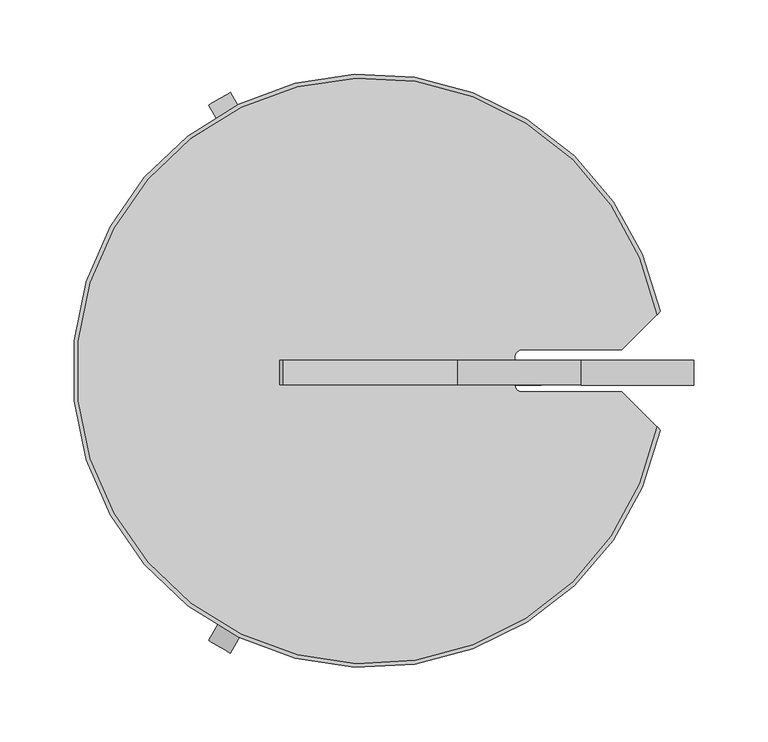
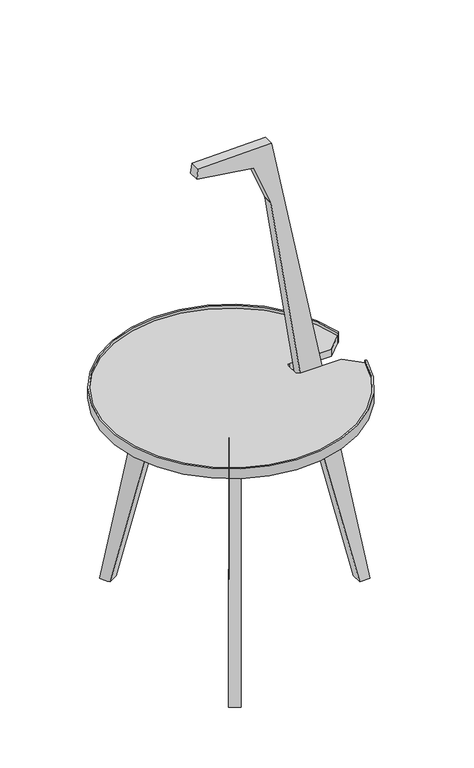
"""IFC4 building model written with IfcOpenShell, lengths in millimetres: furniture geometry."""

from ifc_helpers import new_model, si_unit, point, frame, frame_2d, origin, place, context, project, spatial, polyline, circle_curve, trimmed, segment, composite_curve, outline, extrude, source, transform, mapped, element, save
from ifc_brep_helpers import plane_surface, spline_surface, advanced_brep


def furniture_8a22b242(model_context):
    return source(origin(), model_context, "Body", "SolidModel", [
        extrude(outline(polyline([(-328.0538335, -53.7748023), (-328.0538342, -70.7432629), (-342.7489533, -62.2590328), (-328.0538335, -53.7748023)])), frame((0.0, 0.0, 345.200005), z_axis=(0.0, 0.0, 1.0), x_axis=(1.0, 0.0, 0.0)), (0.0, 0.0, 1.0), 34.6336225),
        advanced_brep(
        [(-376.5952232, -154.3382342, 379.8335741), (-328.2388857, -70.6364234, 379.8335741), (-342.8113276, -62.223021, 379.8335741), (-391.1443568, -145.9382908, 379.8335741), (-380.7583449, -161.5492214, 345.200005), (-395.1343712, -153.2492163, 345.200005), (-342.6381261, -62.32302, 345.200005), (-328.2620772, -70.6230329, 345.200005)],
        [
            (0, 1),
            (1, 2),
            (2, 3),
            (3, 0),
            (4, 5),
            (5, 6),
            (6, 7),
            (7, 4),
            (0, 4),
            (7, 1),
            (6, 2),
            (5, 3),
        ],
        [
            plane_surface(frame((-359.6974483, -108.2839923, 379.8335741), z_axis=(0.0, 0.0, 1.0000000000000002), x_axis=(0.8660254771258283, -0.49999987296896553, 0.0))),
            plane_surface(frame((-361.6982298, -111.9361226, 345.200005), z_axis=(0.0, 0.0, -1.0000000000000002), x_axis=(0.8660254771258283, -0.49999987296896553, 0.0))),
            spline_surface(1, 1, [[(-380.7583449, -161.5492214, 345.200005), (-376.5952232, -154.3382342, 379.8335741)], [(-328.2620772, -70.6230329, 345.200005), (-328.2388857, -70.6364234, 379.8335741)]], [2, 2], [2, 2], [0.0, 1.0], [0.0, 1.0]),
            spline_surface(1, 1, [[(-328.2620772, -70.6230329, 345.200005), (-328.2388857, -70.6364234, 379.8335741)], [(-342.6381261, -62.32302, 345.200005), (-342.8113276, -62.223021, 379.8335741)]], [2, 2], [2, 2], [0.0, 1.0], [0.0, 1.0]),
            spline_surface(1, 1, [[(-342.6381261, -62.32302, 345.200005), (-342.8113276, -62.223021, 379.8335741)], [(-395.1343712, -153.2492163, 345.200005), (-391.1443568, -145.9382908, 379.8335741)]], [2, 2], [2, 2], [0.0, 1.0], [0.0, 1.0]),
            spline_surface(1, 1, [[(-395.1343712, -153.2492163, 345.200005), (-391.1443568, -145.9382908, 379.8335741)], [(-380.7583449, -161.5492214, 345.200005), (-376.5952232, -154.3382342, 379.8335741)]], [2, 2], [2, 2], [0.0, 1.0], [0.0, 1.0]),
        ],
        [
            (0, [[1, 2, 3, 4]]),
            (1, [[5, 6, 7, 8]]),
            (2, [[-1, 9, -8, 10]]),
            (3, [[-2, -10, -7, 11]]),
            (4, [[-3, -11, -6, 12]]),
            (5, [[-4, -12, -5, -9]]),
        ],
    ),
        advanced_brep(
        [(-231.387771, -70.6948327, 379.8335741), (-231.3877686, -53.8949417, 379.8335741), (-328.0538335, -53.8949378, 379.8335741), (-328.0538342, -70.7217439, 379.8335741), (-223.0613121, -70.6949571, 345.200005), (-328.053835, -70.6949643, 345.200005), (-328.0538326, -54.0949343, 345.200005), (-223.0613142, -54.0949505, 345.200005)],
        [
            (0, 1),
            (1, 2),
            (2, 3),
            (3, 0),
            (4, 5),
            (5, 6),
            (6, 7),
            (7, 4),
            (3, 5),
            (4, 0),
            (2, 6),
            (1, 7),
        ],
        [
            plane_surface(frame((-279.7208018, -62.301614, 379.8335741), z_axis=(0.0, 0.0, 1.0000000000000002), x_axis=(-0.9999999999999993, 3.9760876563432745e-08, 0.0))),
            plane_surface(frame((-275.5575735, -62.3949516, 345.200005), z_axis=(0.0, 0.0, -1.0000000000000002), x_axis=(-0.9999999999999993, 3.9760876563432745e-08, 0.0))),
            spline_surface(1, 1, [[(-328.053835, -70.6949643, 345.200005), (-328.0538342, -70.7217439, 379.8335741)], [(-223.0613121, -70.6949571, 345.200005), (-231.387771, -70.6948327, 379.8335741)]], [2, 2], [2, 2], [0.0, 1.0], [0.0, 1.0]),
            spline_surface(1, 1, [[(-328.0538326, -54.0949343, 345.200005), (-328.0538335, -53.8949378, 379.8335741)], [(-328.053835, -70.6949643, 345.200005), (-328.0538342, -70.7217439, 379.8335741)]], [2, 2], [2, 2], [0.0, 1.0], [0.0, 1.0]),
            spline_surface(1, 1, [[(-223.0613142, -54.0949505, 345.200005), (-231.3877686, -53.8949417, 379.8335741)], [(-328.0538326, -54.0949343, 345.200005), (-328.0538335, -53.8949378, 379.8335741)]], [2, 2], [2, 2], [0.0, 1.0], [0.0, 1.0]),
            spline_surface(1, 1, [[(-223.0613121, -70.6949571, 345.200005), (-231.387771, -70.6948327, 379.8335741)], [(-223.0613142, -54.0949505, 345.200005), (-231.3877686, -53.8949417, 379.8335741)]], [2, 2], [2, 2], [0.0, 1.0], [0.0, 1.0]),
        ],
        [
            (0, [[1, 2, 3, 4]]),
            (1, [[5, 6, 7, 8]]),
            (2, [[-4, 9, -5, 10]]),
            (3, [[-3, 11, -6, -9]]),
            (4, [[-2, 12, -7, -11]]),
            (5, [[-1, -10, -8, -12]]),
        ],
    ),
        advanced_brep(
        [(-376.5952232, 29.8201686, 379.8335741), (-391.1443568, 21.4202252, 379.8335741), (-342.8113276, -62.2950446, 379.8335741), (-328.2388857, -53.8816422, 379.8335741), (-380.7583449, 37.0311557, 345.200005), (-328.2620772, -53.8950327, 345.200005), (-342.6381261, -62.1950456, 345.200005), (-395.1343712, 28.7311506, 345.200005)],
        [
            (0, 1),
            (1, 2),
            (2, 3),
            (3, 0),
            (4, 5),
            (5, 6),
            (6, 7),
            (7, 4),
            (3, 5),
            (4, 0),
            (2, 6),
            (1, 7),
        ],
        [
            plane_surface(frame((-359.6974483, -16.2340733, 379.8335741), z_axis=(0.0, 0.0, 1.0000000000000002), x_axis=(0.49999996556606585, -0.866025423664879, 0.0))),
            plane_surface(frame((-361.6982298, -12.581943, 345.200005), z_axis=(0.0, 0.0, -1.0000000000000002), x_axis=(0.49999996556606585, -0.866025423664879, 0.0))),
            spline_surface(1, 1, [[(-328.2620772, -53.8950327, 345.200005), (-328.2388857, -53.8816422, 379.8335741)], [(-380.7583449, 37.0311557, 345.200005), (-376.5952232, 29.8201686, 379.8335741)]], [2, 2], [2, 2], [0.0, 1.0], [0.0, 1.0]),
            spline_surface(1, 1, [[(-342.6381261, -62.1950456, 345.200005), (-342.8113276, -62.2950446, 379.8335741)], [(-328.2620772, -53.8950327, 345.200005), (-328.2388857, -53.8816422, 379.8335741)]], [2, 2], [2, 2], [0.0, 1.0], [0.0, 1.0]),
            spline_surface(1, 1, [[(-395.1343712, 28.7311506, 345.200005), (-391.1443568, 21.4202252, 379.8335741)], [(-342.6381261, -62.1950456, 345.200005), (-342.8113276, -62.2950446, 379.8335741)]], [2, 2], [2, 2], [0.0, 1.0], [0.0, 1.0]),
            spline_surface(1, 1, [[(-380.7583449, 37.0311557, 345.200005), (-376.5952232, 29.8201686, 379.8335741)], [(-395.1343712, 28.7311506, 345.200005), (-391.1443568, 21.4202252, 379.8335741)]], [2, 2], [2, 2], [0.0, 1.0], [0.0, 1.0]),
        ],
        [
            (0, [[1, 2, 3, 4]]),
            (1, [[5, 6, 7, 8]]),
            (2, [[-4, 9, -5, 10]]),
            (3, [[-3, 11, -6, -9]]),
            (4, [[-2, 12, -7, -11]]),
            (5, [[-1, -10, -8, -12]]),
        ],
    ),
        extrude(outline(composite_curve([segment(polyline([(692.3731301, -279.83202), (380.196805, -231.8440583)]), True, "CONTINUOUS"), segment(trimmed(circle_curve(frame_2d((381.744084, -221.7785364)), 10.183752), [point((380.196805, -231.8440583))], [point((379.2787825, -231.6593811))], False, "CARTESIAN"), True, "CONTINUOUS"), segment(polyline([(379.2787825, -231.6593811), (0.0, -137.0281446), (0.0, -120.3546216), (379.9764796, -196.0773681), (795.0104093, -279.0093562), (792.2802422, -396.9520266), (775.4187304, -398.9487741), (762.6454674, -308.3748581)]), True, "CONTINUOUS"), segment(trimmed(circle_curve(frame_2d((761.884889, -308.4821193)), 0.7681045), [point((762.6454674, -308.3748581))], [point((762.1737334, -307.7703936))], True, "CARTESIAN"), True, "CONTINUOUS"), segment(polyline([(762.1737334, -307.7703936), (695.3646125, -280.6568052)]), True, "CONTINUOUS"), segment(trimmed(circle_curve(frame_2d((690.3450656, -293.025198)), 13.3481456), [point((695.3646125, -280.6568052))], [point((692.3731301, -279.83202))], True, "CARTESIAN"), True, "CONTINUOUS")], self_intersect=False)), frame((0.0, -70.60964, 0.0), z_axis=(0.0, 1.0, 0.0), x_axis=(0.0, 0.0, 1.0)), (0.0, 0.0, 1.0), 16.8000289),
        advanced_brep(
        [(-408.6165252, 52.0829347, 379.8335741), (-390.9711451, 21.520229, 379.8335741), (-376.5951149, 29.8202311, 379.8335741), (-394.2405041, 60.3829368, 379.8335741), (-446.8358779, 117.880816, 0.0), (-432.1134712, 126.3807961, 0.0), (-423.6700556, 111.7563796, 0.0), (-438.392463, 103.2563859, 0.0)],
        [
            (0, 1),
            (1, 2),
            (2, 3),
            (3, 0),
            (4, 5),
            (5, 6),
            (6, 7),
            (7, 4),
            (4, 0),
            (3, 5),
            (2, 6),
            (1, 7),
        ],
        [
            plane_surface(frame((-392.6058223, 40.9515829, 379.8335741), z_axis=(0.0, 0.0, 1.0), x_axis=(0.49999986612095815, -0.8660254810795257, 0.0))),
            plane_surface(frame((-435.2529669, 114.8185944, 0.0), z_axis=(0.0, 0.0, -1.0), x_axis=(0.49999986612095815, -0.8660254810795257, 0.0))),
            spline_surface(1, 1, [[(-432.1134712, 126.3807961, 0.0), (-394.2405041, 60.3829368, 379.8335741)], [(-446.8358779, 117.880816, 0.0), (-408.6165252, 52.0829347, 379.8335741)]], [2, 2], [2, 2], [0.0, 1.0], [0.0, 1.0]),
            spline_surface(1, 1, [[(-423.6700556, 111.7563796, 0.0), (-376.5951149, 29.8202311, 379.8335741)], [(-432.1134712, 126.3807961, 0.0), (-394.2405041, 60.3829368, 379.8335741)]], [2, 2], [2, 2], [0.0, 1.0], [0.0, 1.0]),
            spline_surface(1, 1, [[(-438.392463, 103.2563859, 0.0), (-390.9711451, 21.520229, 379.8335741)], [(-423.6700556, 111.7563796, 0.0), (-376.5951149, 29.8202311, 379.8335741)]], [2, 2], [2, 2], [0.0, 1.0], [0.0, 1.0]),
            spline_surface(1, 1, [[(-446.8358779, 117.880816, 0.0), (-408.6165252, 52.0829347, 379.8335741)], [(-438.392463, 103.2563859, 0.0), (-390.9711451, 21.520229, 379.8335741)]], [2, 2], [2, 2], [0.0, 1.0], [0.0, 1.0]),
        ],
        [
            (0, [[1, 2, 3, 4]]),
            (1, [[5, 6, 7, 8]]),
            (2, [[-5, 9, -4, 10]]),
            (3, [[-6, -10, -3, 11]]),
            (4, [[-7, -11, -2, 12]]),
            (5, [[-8, -12, -1, -9]]),
        ],
    ),
        advanced_brep(
        [(-408.6165252, -176.6010003, 379.8335741), (-394.2405041, -184.9010024, 379.8335741), (-376.5951149, -154.3382967, 379.8335741), (-390.9711451, -146.0382946, 379.8335741), (-446.8358779, -242.3988816, 0.0), (-438.392463, -227.7744515, 0.0), (-423.6700556, -236.2744452, 0.0), (-432.1134712, -250.8988617, 0.0)],
        [
            (0, 1),
            (1, 2),
            (2, 3),
            (3, 0),
            (4, 5),
            (5, 6),
            (6, 7),
            (7, 4),
            (7, 1),
            (0, 4),
            (6, 2),
            (5, 3),
        ],
        [
            plane_surface(frame((-392.6058223, -165.4696485, 379.8335741), z_axis=(0.0, 0.0, 1.0000000000000002), x_axis=(0.8660253403224389, -0.5000001099193919, 0.0))),
            plane_surface(frame((-435.2529669, -239.33666, 0.0), z_axis=(0.0, 0.0, -1.0000000000000002), x_axis=(0.8660253403224389, -0.5000001099193919, 0.0))),
            spline_surface(1, 1, [[(-446.8358779, -242.3988816, 0.0), (-408.6165252, -176.6010003, 379.8335741)], [(-432.1134712, -250.8988617, 0.0), (-394.2405041, -184.9010024, 379.8335741)]], [2, 2], [2, 2], [0.0, 1.0], [0.0, 1.0]),
            spline_surface(1, 1, [[(-432.1134712, -250.8988617, 0.0), (-394.2405041, -184.9010024, 379.8335741)], [(-423.6700556, -236.2744452, 0.0), (-376.5951149, -154.3382967, 379.8335741)]], [2, 2], [2, 2], [0.0, 1.0], [0.0, 1.0]),
            spline_surface(1, 1, [[(-423.6700556, -236.2744452, 0.0), (-376.5951149, -154.3382967, 379.8335741)], [(-438.392463, -227.7744515, 0.0), (-390.9711451, -146.0382946, 379.8335741)]], [2, 2], [2, 2], [0.0, 1.0], [0.0, 1.0]),
            spline_surface(1, 1, [[(-438.392463, -227.7744515, 0.0), (-390.9711451, -146.0382946, 379.8335741)], [(-446.8358779, -242.3988816, 0.0), (-408.6165252, -176.6010003, 379.8335741)]], [2, 2], [2, 2], [0.0, 1.0], [0.0, 1.0]),
        ],
        [
            (0, [[1, 2, 3, 4]]),
            (1, [[5, 6, 7, 8]]),
            (2, [[-8, 9, -1, 10]]),
            (3, [[-7, 11, -2, -9]]),
            (4, [[-6, 12, -3, -11]]),
            (5, [[-5, -10, -4, -12]]),
        ],
    ),
        extrude(outline(composite_curve([segment(trimmed(circle_curve(frame_2d((-338.5090289, -60.9887729)), 197.2124021), [point((-144.9738677, -98.8948793))], [point((-144.9738677, -23.0826666))], False, "CARTESIAN"), True, "CONTINUOUS"), segment(polyline([(-144.9738677, -23.0826666), (-168.7801335, -46.8889324), (-235.5565137, -46.7903948)]), True, "CONTINUOUS"), segment(trimmed(circle_curve(frame_2d((-235.5644077, -52.1399113)), 5.3495224), [point((-235.5565137, -46.7903948))], [point((-240.91393, -52.1399113))], True, "CARTESIAN"), True, "CONTINUOUS"), segment(polyline([(-240.91393, -52.1399113), (-240.91393, -69.841939)]), True, "CONTINUOUS"), segment(trimmed(circle_curve(frame_2d((-235.5687058, -69.841939)), 5.3452242), [point((-240.91393, -69.841939))], [point((-235.5608183, -75.1871574))], True, "CARTESIAN"), True, "CONTINUOUS"), segment(polyline([(-235.5608183, -75.1871574), (-168.7801335, -75.0886135), (-144.9738677, -98.8948793)]), True, "CONTINUOUS")], self_intersect=False)), frame((0.0, 0.0, 379.8336312), z_axis=(0.0, 0.0, 1.0), x_axis=(1.0, 0.0, 0.0)), (0.0, 0.0, 1.0), 12.0084467),
        extrude(outline(composite_curve([segment(polyline([(-142.8485143, -21.0524421), (-144.9586383, -23.1605057)]), True, "CONTINUOUS"), segment(trimmed(circle_curve(frame_2d((-338.5090289, -60.9887729)), 197.2124021), [point((-144.9586383, -23.1605057))], [point((-144.9567353, -98.807302))], True, "CARTESIAN"), True, "CONTINUOUS"), segment(polyline([(-144.9567353, -98.807302), (-142.8484188, -100.9246356)]), True, "CONTINUOUS"), segment(trimmed(circle_curve(frame_2d((-338.5007696, -60.9887729)), 199.6865432), [point((-142.8484188, -100.9246356))], [point((-142.8485143, -21.0524421))], False, "CARTESIAN"), True, "CONTINUOUS")], self_intersect=False)), frame((0.0, 0.0, 379.8335741), z_axis=(0.0, 0.0, 1.0), x_axis=(1.0, 0.0, 0.0)), (0.0, 0.0, 1.0), 16.9077252),
    ])


if __name__ == "__main__":
    model = new_model("IFC4")
    model_context = context("Model", 3, world=origin())
    ifc_project = project(units=[si_unit("LENGTHUNIT", "METRE", prefix="MILLI")], contexts=[model_context])
    site = spatial("IfcSite", under=ifc_project)
    building = spatial("IfcBuilding", under=site)
    placement = place(None, origin())
    furniture_shape = furniture_8a22b242(model_context)
    element("IfcFurniture", 1, at=placement, inside=building, context=model_context, shape_type="MappedRepresentation", body=[
        mapped(furniture_shape, transform((0.0, 0.0, 0.0), x_axis=(1.0, 0.0, 0.0), y_axis=(0.0, 1.0, 0.0), z_axis=(0.0, 0.0, 1.0))),
    ])
    save(model, "model.ifc")
